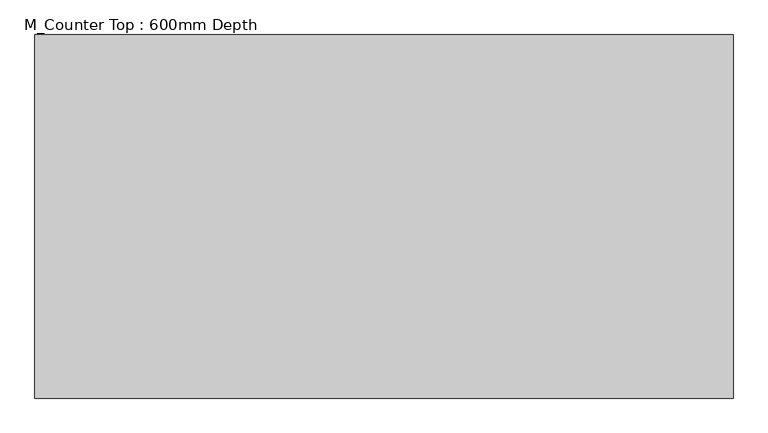
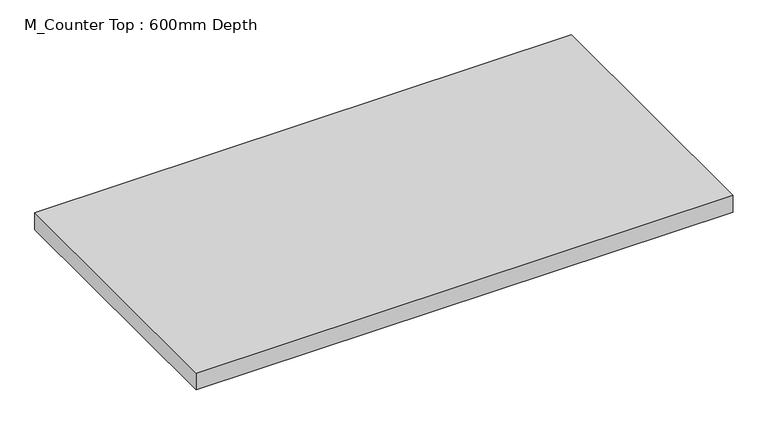
"""IFC4 building model written with IfcOpenShell, lengths in millimetres: furniture geometry, M_Counter Top : 600mm Depth."""

from ifc_helpers import new_model, si_unit, frame, origin, place, context, project, spatial, polyline, outline, extrude, source, transform, mapped, element, save


def m_counter_top_600mm_depth_876137cd(model_context):
    return source(origin(), model_context, "Body", "SweptSolid", [
        extrude(outline(polyline([(-0.4622951, 0.0), (-0.4622951, -625.0), (-1200.4622951, -625.0), (-1200.4622951, 0.0), (-0.4622951, 0.0)])), frame((0.0, 0.0, 860.0), z_axis=(0.0, 0.0, 1.0), x_axis=(1.0, 0.0, 0.0)), (0.0, 0.0, 1.0), 40.0),
    ])


if __name__ == "__main__":
    model = new_model("IFC4")
    model_context = context("Model", 3, world=origin())
    ifc_project = project(units=[si_unit("LENGTHUNIT", "METRE", prefix="MILLI")], contexts=[model_context])
    site = spatial("IfcSite", under=ifc_project)
    building = spatial("IfcBuilding", under=site)
    placement = place(None, origin())
    m_counter_top_600mm_depth_shape = m_counter_top_600mm_depth_876137cd(model_context)
    element("IfcFurniture", 1, ObjectType="M_Counter Top : 600mm Depth", at=placement, inside=building, context=model_context, shape_type="MappedRepresentation", body=[
        mapped(m_counter_top_600mm_depth_shape, transform((0.0, 0.0, 0.0), x_axis=(1.0, 0.0, 0.0), y_axis=(0.0, 1.0, 0.0), z_axis=(0.0, 0.0, 1.0))),
    ])
    save(model, "model.ifc")
